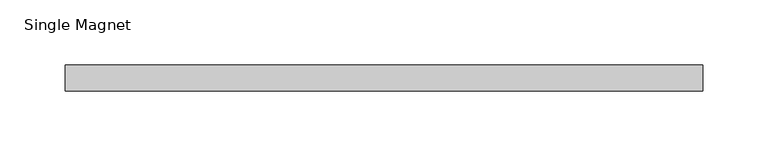
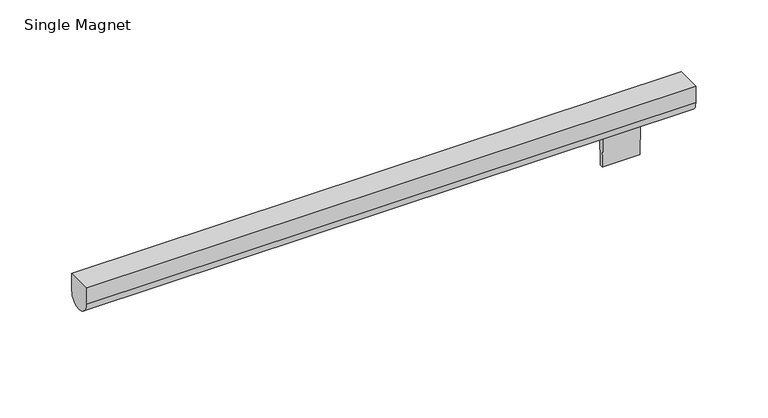
"""IFC4 building model written with IfcOpenShell, lengths in millimetres: light fixture geometry, Single Magnet."""

from ifc_helpers import new_model, si_unit, point, frame, frame_2d, origin, place, context, project, spatial, polyline, circle_curve, trimmed, segment, composite_curve, outline, extrude, source, transform, mapped, element, save


def single_magnet_e039932e(model_context):
    return source(origin(), model_context, "Body", "SweptSolid", [
        extrude(outline(composite_curve([segment(polyline([(1.34239, 1253.2606062), (-1.34239, 1253.2606062), (-2.2377752, 1278.6469561)]), True, "CONTINUOUS"), segment(trimmed(circle_curve(frame_2d((0.0, 1288.415)), 10.0210938), [point((-2.2377752, 1278.6469561))], [point((2.2377752, 1278.6469561))], True, "CARTESIAN"), True, "CONTINUOUS"), segment(polyline([(2.2377752, 1278.6469561), (1.34239, 1253.2606062)]), True, "CONTINUOUS")], self_intersect=False)), frame((175.0044125, 0.0, 0.0), z_axis=(1.0, 0.0, 0.0), x_axis=(0.0, 1.0, 0.0)), (0.0, 0.0, 1.0), 29.972),
        extrude(outline(composite_curve([segment(polyline([(-10.0210938, 1288.415), (-10.0210938, 1302.7025), (10.0210937, 1302.7025), (10.0210937, 1288.415)]), True, "CONTINUOUS"), segment(trimmed(circle_curve(frame_2d((0.0, 1288.415)), 10.0210938), [point((10.0210937, 1288.415))], [point((-10.0210938, 1288.415))], False, "CARTESIAN"), True, "CONTINUOUS")], self_intersect=False)), frame((-245.0703125, 0.0, 0.0), z_axis=(1.0, 0.0, 0.0), x_axis=(0.0, 1.0, 0.0)), (0.0, 0.0, 1.0), 490.140625),
    ])


if __name__ == "__main__":
    model = new_model("IFC4")
    model_context = context("Model", 3, world=origin())
    ifc_project = project(units=[si_unit("LENGTHUNIT", "METRE", prefix="MILLI")], contexts=[model_context])
    site = spatial("IfcSite", under=ifc_project)
    building = spatial("IfcBuilding", under=site)
    placement = place(None, origin())
    single_magnet_shape = single_magnet_e039932e(model_context)
    element("IfcLightFixture", 1, ObjectType="Single Magnet", at=placement, inside=building, context=model_context, shape_type="MappedRepresentation", body=[
        mapped(single_magnet_shape, transform((0.0, 0.0, 0.0), x_axis=(1.0, 0.0, 0.0), y_axis=(0.0, 1.0, 0.0), z_axis=(0.0, 0.0, 1.0))),
    ])
    save(model, "model.ifc")
